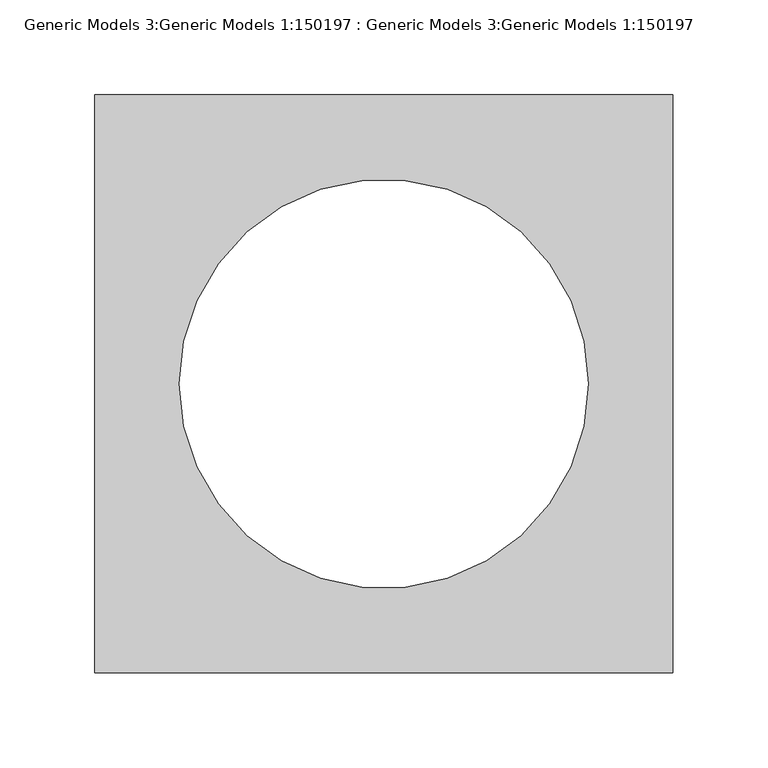
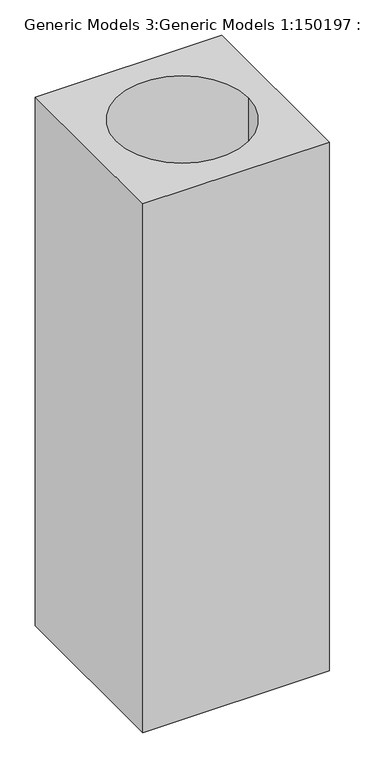
"""IFC4 building model written with IfcOpenShell, lengths in millimetres: proxy geometry, Generic Models 3:Generic Models 1:150197 : Generic Models 3:Generic Models 1:150197."""

from ifc_helpers import new_model, si_unit, point, frame_2d, origin, origin_with_axes, place, context, project, spatial, polyline, circle_curve, trimmed, segment, composite_curve, outline, extrude, source, transform, mapped, element, save


def generic_models_3_generic_models_1_150197_generic_models_3_3b220f31(model_context):
    return source(origin(), model_context, "Body", "SweptSolid", [
        extrude(outline(polyline([(304.8, 914.4), (304.8, 609.6), (0.0, 609.6), (0.0, 914.4), (304.8, 914.4)]), holes=[composite_curve([segment(trimmed(circle_curve(frame_2d((152.4, 762.0)), 107.7630735), [point((44.6369265, 762.0))], [point((260.1630735, 762.0))], True, "CARTESIAN"), True, "CONTINUOUS"), segment(trimmed(circle_curve(frame_2d((152.4, 762.0)), 107.7630735), [point((260.1630735, 762.0))], [point((44.6369265, 762.0))], True, "CARTESIAN"), True, "CONTINUOUS")], self_intersect=False)]), origin_with_axes(), (0.0, 0.0, 1.0), 914.4),
    ])


if __name__ == "__main__":
    model = new_model("IFC4")
    model_context = context("Model", 3, world=origin())
    ifc_project = project(units=[si_unit("LENGTHUNIT", "METRE", prefix="MILLI")], contexts=[model_context])
    site = spatial("IfcSite", under=ifc_project)
    building = spatial("IfcBuilding", under=site)
    placement = place(None, origin())
    generic_models_3_generic_models_1_150197_generic_models_3_shape = generic_models_3_generic_models_1_150197_generic_models_3_3b220f31(model_context)
    element("IfcBuildingElementProxy", 1, Name="Generic Models 3:Generic Models 1:150197 : Generic Models 3:Generic Models 1:150197", ObjectType="Generic Models 3:Generic Models 1:150197 : Generic Models 3:Generic Models 1:150197", at=placement, inside=building, context=model_context, shape_type="MappedRepresentation", body=[
        mapped(generic_models_3_generic_models_1_150197_generic_models_3_shape, transform((0.0, 0.0, 0.0), x_axis=(1.0, 0.0, 0.0), y_axis=(0.0, 1.0, 0.0), z_axis=(0.0, 0.0, 1.0))),
    ])
    save(model, "model.ifc")
